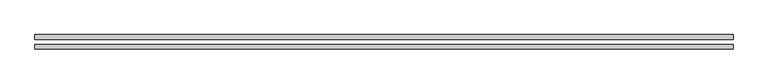
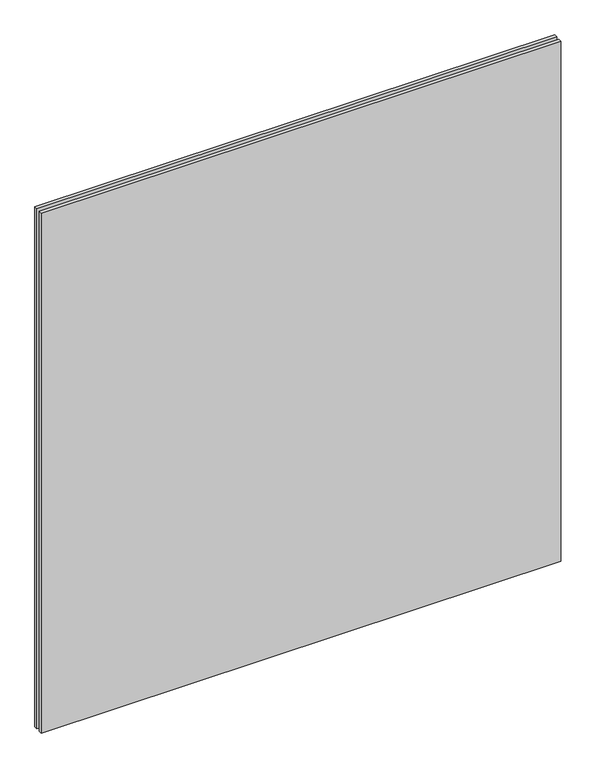
"""IFC4 building model written with IfcOpenShell, lengths in millimetres: plate geometry."""

from ifc_helpers import new_model, si_unit, origin, origin_with_axes, place, context, project, spatial, polyline, outline, extrude, source, transform, mapped, element, save


def plate_69d88516(model_context):
    return source(origin(), model_context, "Body", "SweptSolid", [
        extrude(outline(polyline([(605.0, -34.8), (-605.0, -34.8), (-605.0, -26.8), (605.0, -26.8), (605.0, -34.8)])), origin_with_axes(), (0.0, 0.0, 1.0), 1280.0),
        extrude(outline(polyline([(605.0, -17.8), (-605.0, -17.8), (-605.0, -9.8), (605.0, -9.8), (605.0, -17.8)])), origin_with_axes(), (0.0, 0.0, 1.0), 1280.0),
    ])


if __name__ == "__main__":
    model = new_model("IFC4")
    model_context = context("Model", 3, world=origin())
    ifc_project = project(units=[si_unit("LENGTHUNIT", "METRE", prefix="MILLI")], contexts=[model_context])
    site = spatial("IfcSite", under=ifc_project)
    building = spatial("IfcBuilding", under=site)
    placement = place(None, origin())
    plate_shape = plate_69d88516(model_context)
    element("IfcPlate", 1, at=placement, inside=building, context=model_context, shape_type="MappedRepresentation", body=[
        mapped(plate_shape, transform((0.0, 0.0, 0.0), x_axis=(1.0, 0.0, 0.0), y_axis=(0.0, 1.0, 0.0), z_axis=(0.0, 0.0, 1.0))),
    ])
    save(model, "model.ifc")
